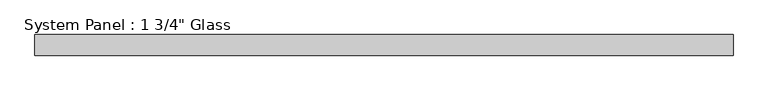
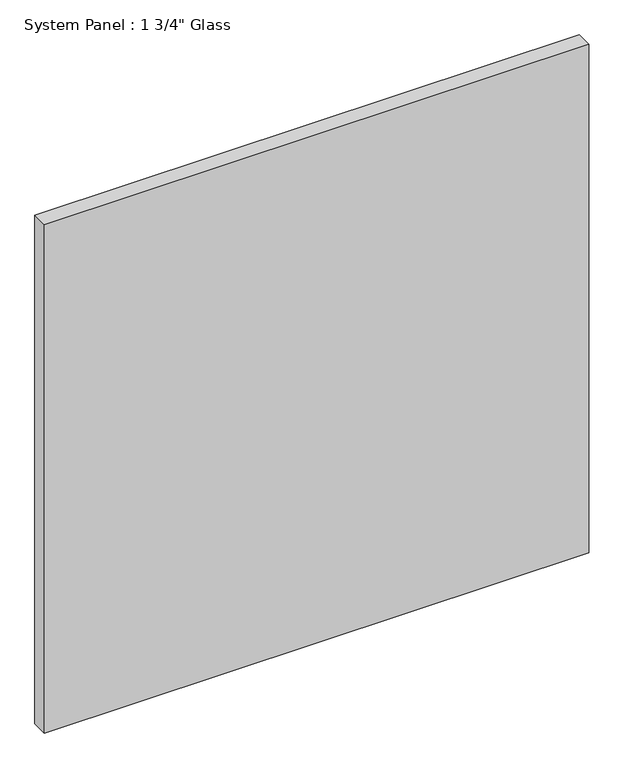
"""IFC4 building model written with IfcOpenShell, lengths in millimetres: plate geometry."""

from ifc_helpers import new_model, si_unit, origin, origin_with_axes, place, context, project, spatial, polyline, outline, extrude, source, transform, mapped, element, save


def plate_4a097787(model_context):
    return source(origin(), model_context, "Body", "SweptSolid", [
        extrude(outline(polyline([(736.6, -22.225), (-736.6, -22.225), (-736.6, 22.225), (736.6, 22.225), (736.6, -22.225)])), origin_with_axes(), (0.0, 0.0, 1.0), 1454.15),
    ])


if __name__ == "__main__":
    model = new_model("IFC4")
    model_context = context("Model", 3, world=origin())
    ifc_project = project(units=[si_unit("LENGTHUNIT", "METRE", prefix="MILLI")], contexts=[model_context])
    site = spatial("IfcSite", under=ifc_project)
    building = spatial("IfcBuilding", under=site)
    placement = place(None, origin())
    plate_shape = plate_4a097787(model_context)
    element("IfcPlate", 1, ObjectType="System Panel : 1 3/4\" Glass", at=placement, inside=building, context=model_context, shape_type="MappedRepresentation", body=[
        mapped(plate_shape, transform((0.0, 0.0, 0.0), x_axis=(1.0, 0.0, 0.0), y_axis=(0.0, 1.0, 0.0), z_axis=(0.0, 0.0, 1.0))),
    ])
    save(model, "model.ifc")
